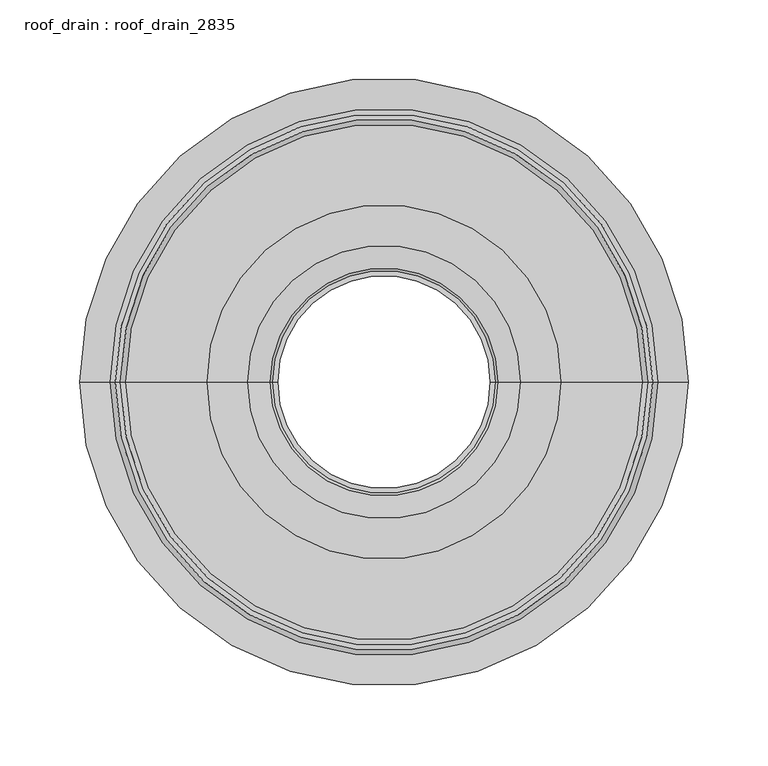
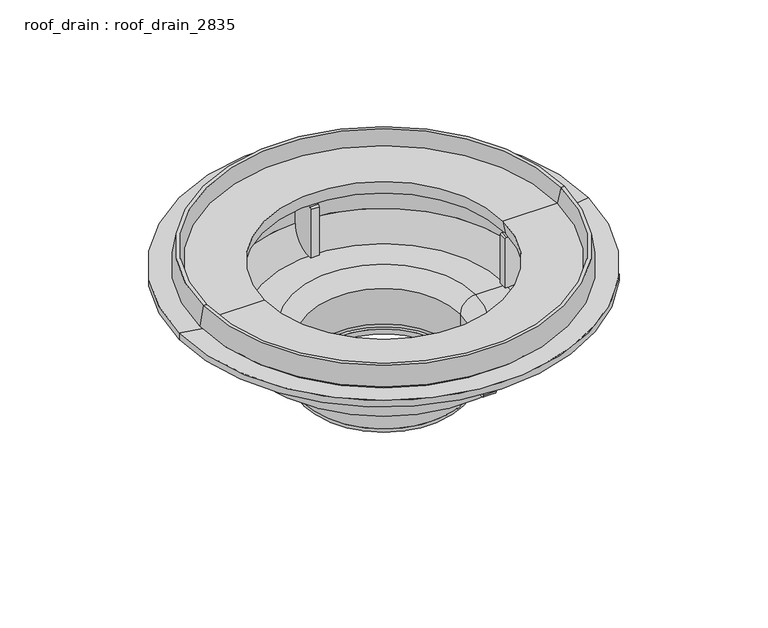
"""IFC4 building model written with IfcOpenShell, lengths in millimetres: proxy geometry, roof_drain : roof_drain_2835."""

from ifc_helpers import new_model, si_unit, point, frame, origin, place, context, project, spatial, polyline, circle_curve, ellipse_curve, trimmed, source, transform, mapped, element, save
from ifc_brep_helpers import plane_surface, cylinder_surface, revolved_surface, advanced_brep


def roof_drain_roof_drain_2835_14fadb20(model_context):
    return source(origin(), model_context, "Body", "AdvancedBrep", [
        advanced_brep(
        [(183.7835187, 171.3455573, 3714.6822843), (183.7835187, 171.3455573, 3728.1056941), (182.6754597, 139.6148985, 3724.2072843), (182.6754597, 139.6148985, 3711.5072843), (183.6727128, 168.1724914, 3711.5072843), (171.8164813, 171.3455573, 3714.6822843), (171.9272872, 168.1724914, 3711.5072843), (172.9245403, 139.6148985, 3711.5072843), (172.9245403, 139.6148985, 3724.2072843), (171.8164813, 171.3455573, 3728.1056941)],
        [
            (0, 1),
            (1, 2),
            (2, 3),
            (3, 4),
            (4, 0, circle_curve(frame((183.6727128, 168.1724914, 3714.6822843), z_axis=(0.9993908270190829, -0.034899496702871076, 0.0), x_axis=(0.034899496702871076, 0.9993908270190829, 0.0)), 3.175)),
            (5, 6, circle_curve(frame((171.9272872, 168.1724914, 3714.6822843), z_axis=(-0.9993908270191088, -0.0348994967021308, 0.0), x_axis=(-0.0348994967021308, 0.9993908270191088, 0.0)), 3.175)),
            (6, 7),
            (7, 8),
            (8, 9),
            (9, 5),
            (9, 1, circle_curve(frame((177.8, 0.0, 3728.1056941), z_axis=(0.0, 0.0, -1.0), x_axis=(0.034899496702871076, 0.9993908270190829, 0.0)), 171.45)),
            (0, 5, circle_curve(frame((177.8, 0.0, 3714.6822843), z_axis=(0.0, 0.0, 1.0), x_axis=(0.034899496702871076, 0.9993908270190829, 0.0)), 171.45)),
            (8, 2, circle_curve(frame((177.8, 0.0, 3724.2072843), z_axis=(0.0, 0.0, -1.0), x_axis=(0.034899496702871076, 0.9993908270190829, 0.0)), 139.7)),
            (7, 3, circle_curve(frame((177.8, 0.0, 3711.5072843), z_axis=(0.0, 0.0, -1.0), x_axis=(0.034899496702871076, 0.9993908270190829, 0.0)), 139.7)),
            (6, 4, circle_curve(frame((177.8, 0.0, 3711.5072843), z_axis=(0.0, 0.0, -1.0), x_axis=(0.034899496702871076, 0.9993908270190829, 0.0)), 168.275)),
        ],
        [
            plane_surface(frame((177.8, 0.0, 3905.1822843), z_axis=(0.9993908270190829, -0.034899496702871076, 0.0), x_axis=(0.034899496702871076, 0.9993908270190829, 0.0))),
            plane_surface(frame((177.8, 0.0, 3905.1822843), z_axis=(-0.9993908270191086, -0.03489949670213079, 0.0), x_axis=(-0.03489949670213079, 0.9993908270191086, 0.0))),
            cylinder_surface(frame((177.8, 0.0, 3905.1822843), z_axis=(0.0, 0.0, 1.0), x_axis=(0.034899496702871076, 0.9993908270190829, 0.0)), 171.45),
            revolved_surface(polyline([(183.7835187, 171.3455573, 3728.1056941), (182.6754597, 139.6148985, 3724.2072843)]), (177.8, 0.0, 3905.1822843), (0.0, 0.0, 1.0)),
            revolved_surface(polyline([(182.6754596893911, 139.61489853456587, 3724.2072843), (182.6754596893911, 139.61489853456587, 3711.5072843)]), (177.8, 0.0, 3905.1822843), (0.0, 0.0, 1.0)),
            plane_surface(frame((177.8, 0.0, 3711.5072843), z_axis=(0.0, 0.0, -1.0000000000000002), x_axis=(0.034899496702871076, 0.9993908270190829, 0.0))),
            revolved_surface(trimmed(ellipse_curve(frame((183.6727128, 168.1724914, 3714.6822843), z_axis=(0.9993908270190829, -0.034899496702871076, 0.0), x_axis=(0.034899496702871076, 0.9993908270190829, 0.0)), 3.175, 3.175), [point((183.6727128, 168.1724914, 3711.5072843))], [point((183.7835187, 171.3455573, 3714.6822843))], True, "CARTESIAN"), (177.8, 0.0, 3905.1822843), (0.0, 0.0, 1.0)),
        ],
        [
            (0, [[1, 2, 3, 4, 5]]),
            (1, [[6, 7, 8, 9, 10]]),
            (2, [[11, -1, 12, -10]]),
            (3, [[13, -2, -11, -9]]),
            (4, [[14, -3, -13, -8]]),
            (5, [[15, -4, -14, -7]]),
            (6, [[-12, -5, -15, -6]]),
        ],
    ),
        advanced_brep(
        [(181.6782066, 111.0573057, 3725.7947843), (181.6782066, 111.0573057, 3678.1697843), (181.7890125, 114.2303715, 3678.1697843), (182.5092508, 134.8552997, 3698.8072843), (182.5092508, 134.8552997, 3727.3822843), (181.7336095, 112.6438386, 3727.3822843), (173.9217934, 111.0573057, 3725.7947843), (173.8663905, 112.6438386, 3727.3822843), (173.0907492, 134.8552997, 3727.3822843), (173.0907492, 134.8552997, 3698.8072843), (173.8109875, 114.2303715, 3678.1697843), (173.9217934, 111.0573057, 3678.1697843)],
        [
            (0, 1),
            (1, 2),
            (2, 3, circle_curve(frame((181.7890125, 114.2303715, 3698.8072843), z_axis=(0.9993908270190829, -0.034899496702871076, 0.0), x_axis=(0.034899496702871076, 0.9993908270190829, 0.0)), 20.6375)),
            (3, 4),
            (4, 5),
            (5, 0, circle_curve(frame((181.7336095, 112.6438386, 3725.7947843), z_axis=(0.9993908270190829, -0.034899496702871076, 0.0), x_axis=(0.034899496702871076, 0.9993908270190829, 0.0)), 1.5875)),
            (6, 7, circle_curve(frame((173.8663905, 112.6438386, 3725.7947843), z_axis=(-0.9993908270191088, -0.0348994967021308, 0.0), x_axis=(-0.0348994967021308, 0.9993908270191088, 0.0)), 1.5875)),
            (7, 8),
            (8, 9),
            (9, 10, circle_curve(frame((173.8109875, 114.2303715, 3698.8072843), z_axis=(-0.9993908270191088, -0.0348994967021308, 0.0), x_axis=(-0.0348994967021308, 0.9993908270191088, 0.0)), 20.6375)),
            (10, 11),
            (11, 6),
            (11, 1, circle_curve(frame((177.8, 0.0, 3678.1697843), z_axis=(0.0, 0.0, -1.0), x_axis=(0.034899496702871076, 0.9993908270190829, 0.0)), 111.125)),
            (0, 6, circle_curve(frame((177.8, 0.0, 3725.7947843), z_axis=(0.0, 0.0, 1.0), x_axis=(0.034899496702871076, 0.9993908270190829, 0.0)), 111.125)),
            (10, 2, circle_curve(frame((177.8, 0.0, 3678.1697843), z_axis=(0.0, 0.0, -1.0), x_axis=(0.034899496702871076, 0.9993908270190829, 0.0)), 114.3)),
            (9, 3, circle_curve(frame((177.8, 0.0, 3698.8072843), z_axis=(0.0, 0.0, -1.0), x_axis=(0.034899496702871076, 0.9993908270190829, 0.0)), 134.9375)),
            (8, 4, circle_curve(frame((177.8, 0.0, 3727.3822843), z_axis=(0.0, 0.0, -1.0), x_axis=(0.034899496702871076, 0.9993908270190829, 0.0)), 134.9375)),
            (7, 5, circle_curve(frame((177.8, 0.0, 3727.3822843), z_axis=(0.0, 0.0, -1.0), x_axis=(0.034899496702871076, 0.9993908270190829, 0.0)), 112.7125)),
        ],
        [
            plane_surface(frame((177.8, 0.0, 3905.1822843), z_axis=(0.9993908270190829, -0.034899496702871076, 0.0), x_axis=(0.034899496702871076, 0.9993908270190829, 0.0))),
            plane_surface(frame((177.8, 0.0, 3905.1822843), z_axis=(-0.9993908270191086, -0.03489949670213079, 0.0), x_axis=(-0.03489949670213079, 0.9993908270191086, 0.0))),
            revolved_surface(polyline([(181.67820657110656, 111.05730565249559, 3725.7947843), (181.67820657110656, 111.05730565249559, 3678.1697843)]), (177.8, 0.0, 3905.1822843), (0.0, 0.0, 1.0)),
            plane_surface(frame((177.8, 0.0, 3678.1697843), z_axis=(0.0, 0.0, -1.0000000000000002), x_axis=(0.034899496702871076, 0.9993908270190829, 0.0))),
            revolved_surface(trimmed(ellipse_curve(frame((181.7890125, 114.2303715, 3698.8072843), z_axis=(0.9993908270190829, -0.034899496702871076, 0.0), x_axis=(0.034899496702871076, 0.9993908270190829, 0.0)), 20.6375, 20.6375), [point((181.7890125, 114.2303715, 3678.1697843))], [point((182.5092508, 134.8552997, 3698.8072843))], True, "CARTESIAN"), (177.8, 0.0, 3905.1822843), (0.0, 0.0, 1.0)),
            cylinder_surface(frame((177.8, 0.0, 3905.1822843), z_axis=(0.0, 0.0, 1.0), x_axis=(0.034899496702871076, 0.9993908270190829, 0.0)), 134.9375),
            plane_surface(frame((177.8, 0.0, 3727.3822843), z_axis=(0.0, 0.0, 1.0000000000000002), x_axis=(0.034899496702871076, 0.9993908270190829, 0.0))),
            revolved_surface(trimmed(ellipse_curve(frame((181.7336095, 112.6438386, 3725.7947843), z_axis=(0.9993908270190829, -0.034899496702871076, 0.0), x_axis=(0.034899496702871076, 0.9993908270190829, 0.0)), 1.5875, 1.5875), [point((181.7336095, 112.6438386, 3727.3822843))], [point((181.6782066, 111.0573057, 3725.7947843))], True, "CARTESIAN"), (177.8, 0.0, 3905.1822843), (0.0, 0.0, 1.0)),
        ],
        [
            (0, [[1, 2, 3, 4, 5, 6]]),
            (1, [[7, 8, 9, 10, 11, 12]]),
            (2, [[13, -1, 14, -12]]),
            (3, [[15, -2, -13, -11]]),
            (4, [[16, -3, -15, -10]]),
            (5, [[17, -4, -16, -9]]),
            (6, [[18, -5, -17, -8]]),
            (7, [[-14, -6, -18, -7]]),
        ],
    ),
        advanced_brep(
        [(171.8164813, -171.3455573, 3714.6822843), (171.8164813, -171.3455573, 3728.1056941), (172.9245403, -139.6148985, 3724.2072843), (172.9245403, -139.6148985, 3711.5072843), (171.9272872, -168.1724914, 3711.5072843), (183.7835187, -171.3455573, 3714.6822843), (183.6727128, -168.1724914, 3711.5072843), (182.6754597, -139.6148985, 3711.5072843), (182.6754597, -139.6148985, 3724.2072843), (183.7835187, -171.3455573, 3728.1056941)],
        [
            (0, 1),
            (1, 2),
            (2, 3),
            (3, 4),
            (4, 0, circle_curve(frame((171.9272872, -168.1724914, 3714.6822843), z_axis=(-0.9993908270190829, 0.034899496702871076, 0.0), x_axis=(-0.034899496702871076, -0.9993908270190829, 0.0)), 3.175)),
            (5, 6, circle_curve(frame((183.6727128, -168.1724914, 3714.6822843), z_axis=(0.9993908270191088, 0.0348994967021308, 0.0), x_axis=(0.0348994967021308, -0.9993908270191088, 0.0)), 3.175)),
            (6, 7),
            (7, 8),
            (8, 9),
            (9, 5),
            (9, 1, circle_curve(frame((177.8, 0.0, 3728.1056941), z_axis=(0.0, 0.0, -1.0), x_axis=(-0.034899496702871076, -0.9993908270190829, 0.0)), 171.45)),
            (0, 5, circle_curve(frame((177.8, 0.0, 3714.6822843), z_axis=(0.0, 0.0, 1.0), x_axis=(-0.034899496702871076, -0.9993908270190829, 0.0)), 171.45)),
            (8, 2, circle_curve(frame((177.8, 0.0, 3724.2072843), z_axis=(0.0, 0.0, -1.0), x_axis=(-0.034899496702871076, -0.9993908270190829, 0.0)), 139.7)),
            (7, 3, circle_curve(frame((177.8, 0.0, 3711.5072843), z_axis=(0.0, 0.0, -1.0), x_axis=(-0.034899496702871076, -0.9993908270190829, 0.0)), 139.7)),
            (6, 4, circle_curve(frame((177.8, 0.0, 3711.5072843), z_axis=(0.0, 0.0, -1.0), x_axis=(-0.034899496702871076, -0.9993908270190829, 0.0)), 168.275)),
        ],
        [
            plane_surface(frame((177.8, 0.0, 3905.1822843), z_axis=(-0.9993908270190829, 0.034899496702871076, 0.0), x_axis=(-0.034899496702871076, -0.9993908270190829, 0.0))),
            plane_surface(frame((177.8, 0.0, 3905.1822843), z_axis=(0.9993908270191086, 0.03489949670213079, 0.0), x_axis=(0.03489949670213079, -0.9993908270191086, 0.0))),
            cylinder_surface(frame((177.8, 0.0, 3905.1822843), z_axis=(0.0, 0.0, 1.0), x_axis=(-0.034899496702871076, -0.9993908270190829, 0.0)), 171.45),
            revolved_surface(polyline([(171.8164813, -171.3455573, 3728.1056941), (172.9245403, -139.6148985, 3724.2072843)]), (177.8, 0.0, 3905.1822843), (0.0, 0.0, 1.0)),
            revolved_surface(polyline([(172.92454031060893, -139.61489853456587, 3724.2072843), (172.92454031060893, -139.61489853456587, 3711.5072843)]), (177.8, 0.0, 3905.1822843), (0.0, 0.0, 1.0)),
            plane_surface(frame((177.8, 0.0, 3711.5072843), z_axis=(0.0, 0.0, -1.0000000000000002), x_axis=(-0.034899496702871076, -0.9993908270190829, 0.0))),
            revolved_surface(trimmed(ellipse_curve(frame((171.9272872, -168.1724914, 3714.6822843), z_axis=(-0.9993908270190829, 0.034899496702871076, 0.0), x_axis=(-0.034899496702871076, -0.9993908270190829, 0.0)), 3.175, 3.175), [point((171.9272872, -168.1724914, 3711.5072843))], [point((171.8164813, -171.3455573, 3714.6822843))], True, "CARTESIAN"), (177.8, 0.0, 3905.1822843), (0.0, 0.0, 1.0)),
        ],
        [
            (0, [[1, 2, 3, 4, 5]]),
            (1, [[6, 7, 8, 9, 10]]),
            (2, [[11, -1, 12, -10]]),
            (3, [[13, -2, -11, -9]]),
            (4, [[14, -3, -13, -8]]),
            (5, [[15, -4, -14, -7]]),
            (6, [[-12, -5, -15, -6]]),
        ],
    ),
        advanced_brep(
        [(173.9217934, -111.0573057, 3725.7947843), (173.9217934, -111.0573057, 3678.1697843), (173.8109875, -114.2303715, 3678.1697843), (173.0907492, -134.8552997, 3698.8072843), (173.0907492, -134.8552997, 3727.3822843), (173.8663905, -112.6438386, 3727.3822843), (181.6782066, -111.0573057, 3725.7947843), (181.7336095, -112.6438386, 3727.3822843), (182.5092508, -134.8552997, 3727.3822843), (182.5092508, -134.8552997, 3698.8072843), (181.7890125, -114.2303715, 3678.1697843), (181.6782066, -111.0573057, 3678.1697843)],
        [
            (0, 1),
            (1, 2),
            (2, 3, circle_curve(frame((173.8109875, -114.2303715, 3698.8072843), z_axis=(-0.9993908270190829, 0.034899496702871076, 0.0), x_axis=(-0.034899496702871076, -0.9993908270190829, 0.0)), 20.6375)),
            (3, 4),
            (4, 5),
            (5, 0, circle_curve(frame((173.8663905, -112.6438386, 3725.7947843), z_axis=(-0.9993908270190829, 0.034899496702871076, 0.0), x_axis=(-0.034899496702871076, -0.9993908270190829, 0.0)), 1.5875)),
            (6, 7, circle_curve(frame((181.7336095, -112.6438386, 3725.7947843), z_axis=(0.9993908270191088, 0.0348994967021308, 0.0), x_axis=(0.0348994967021308, -0.9993908270191088, 0.0)), 1.5875)),
            (7, 8),
            (8, 9),
            (9, 10, circle_curve(frame((181.7890125, -114.2303715, 3698.8072843), z_axis=(0.9993908270191088, 0.0348994967021308, 0.0), x_axis=(0.0348994967021308, -0.9993908270191088, 0.0)), 20.6375)),
            (10, 11),
            (11, 6),
            (11, 1, circle_curve(frame((177.8, 0.0, 3678.1697843), z_axis=(0.0, 0.0, -1.0), x_axis=(-0.034899496702871076, -0.9993908270190829, 0.0)), 111.125)),
            (0, 6, circle_curve(frame((177.8, 0.0, 3725.7947843), z_axis=(0.0, 0.0, 1.0), x_axis=(-0.034899496702871076, -0.9993908270190829, 0.0)), 111.125)),
            (10, 2, circle_curve(frame((177.8, 0.0, 3678.1697843), z_axis=(0.0, 0.0, -1.0), x_axis=(-0.034899496702871076, -0.9993908270190829, 0.0)), 114.3)),
            (9, 3, circle_curve(frame((177.8, 0.0, 3698.8072843), z_axis=(0.0, 0.0, -1.0), x_axis=(-0.034899496702871076, -0.9993908270190829, 0.0)), 134.9375)),
            (8, 4, circle_curve(frame((177.8, 0.0, 3727.3822843), z_axis=(0.0, 0.0, -1.0), x_axis=(-0.034899496702871076, -0.9993908270190829, 0.0)), 134.9375)),
            (7, 5, circle_curve(frame((177.8, 0.0, 3727.3822843), z_axis=(0.0, 0.0, -1.0), x_axis=(-0.034899496702871076, -0.9993908270190829, 0.0)), 112.7125)),
        ],
        [
            plane_surface(frame((177.8, 0.0, 3905.1822843), z_axis=(-0.9993908270190829, 0.034899496702871076, 0.0), x_axis=(-0.034899496702871076, -0.9993908270190829, 0.0))),
            plane_surface(frame((177.8, 0.0, 3905.1822843), z_axis=(0.9993908270191086, 0.03489949670213079, 0.0), x_axis=(0.03489949670213079, -0.9993908270191086, 0.0))),
            revolved_surface(polyline([(173.92179342889347, -111.05730565249559, 3725.7947843), (173.92179342889347, -111.05730565249559, 3678.1697843)]), (177.8, 0.0, 3905.1822843), (0.0, 0.0, 1.0)),
            plane_surface(frame((177.8, 0.0, 3678.1697843), z_axis=(0.0, 0.0, -1.0000000000000002), x_axis=(-0.034899496702871076, -0.9993908270190829, 0.0))),
            revolved_surface(trimmed(ellipse_curve(frame((173.8109875, -114.2303715, 3698.8072843), z_axis=(-0.9993908270190829, 0.034899496702871076, 0.0), x_axis=(-0.034899496702871076, -0.9993908270190829, 0.0)), 20.6375, 20.6375), [point((173.8109875, -114.2303715, 3678.1697843))], [point((173.0907492, -134.8552997, 3698.8072843))], True, "CARTESIAN"), (177.8, 0.0, 3905.1822843), (0.0, 0.0, 1.0)),
            cylinder_surface(frame((177.8, 0.0, 3905.1822843), z_axis=(0.0, 0.0, 1.0), x_axis=(-0.034899496702871076, -0.9993908270190829, 0.0)), 134.9375),
            plane_surface(frame((177.8, 0.0, 3727.3822843), z_axis=(0.0, 0.0, 1.0000000000000002), x_axis=(-0.034899496702871076, -0.9993908270190829, 0.0))),
            revolved_surface(trimmed(ellipse_curve(frame((173.8663905, -112.6438386, 3725.7947843), z_axis=(-0.9993908270190829, 0.034899496702871076, 0.0), x_axis=(-0.034899496702871076, -0.9993908270190829, 0.0)), 1.5875, 1.5875), [point((173.8663905, -112.6438386, 3727.3822843))], [point((173.9217934, -111.0573057, 3725.7947843))], True, "CARTESIAN"), (177.8, 0.0, 3905.1822843), (0.0, 0.0, 1.0)),
        ],
        [
            (0, [[1, 2, 3, 4, 5, 6]]),
            (1, [[7, 8, 9, 10, 11, 12]]),
            (2, [[13, -1, 14, -12]]),
            (3, [[15, -2, -13, -11]]),
            (4, [[16, -3, -15, -10]]),
            (5, [[17, -4, -16, -9]]),
            (6, [[18, -5, -17, -8]]),
            (7, [[-14, -6, -18, -7]]),
        ],
    ),
        advanced_brep(
        [(6.4544427, 5.9835187, 3714.6822843), (6.4544427, 5.9835187, 3728.1056941), (38.1851015, 4.8754597, 3724.2072843), (38.1851015, 4.8754597, 3711.5072843), (9.6275086, 5.8727128, 3711.5072843), (6.4544427, -5.9835187, 3714.6822843), (9.6275086, -5.8727128, 3711.5072843), (38.1851015, -4.8754597, 3711.5072843), (38.1851015, -4.8754597, 3724.2072843), (6.4544427, -5.9835187, 3728.1056941)],
        [
            (0, 1),
            (1, 2),
            (2, 3),
            (3, 4),
            (4, 0, circle_curve(frame((9.6275086, 5.8727128, 3714.6822843), z_axis=(0.034899496702500934, 0.9993908270190958, 0.0), x_axis=(-0.9993908270190958, 0.034899496702500934, 0.0)), 3.175)),
            (5, 6, circle_curve(frame((9.6275086, -5.8727128, 3714.6822843), z_axis=(0.03489949670250094, -0.9993908270190957, 0.0), x_axis=(-0.9993908270190957, -0.03489949670250094, 0.0)), 3.175)),
            (6, 7),
            (7, 8),
            (8, 9),
            (9, 5),
            (9, 1, circle_curve(frame((177.8, 0.0, 3728.1056941), z_axis=(0.0, 0.0, -1.0), x_axis=(-0.9993908270190958, 0.034899496702500934, 0.0)), 171.45)),
            (0, 5, circle_curve(frame((177.8, 0.0, 3714.6822843), z_axis=(0.0, 0.0, 1.0), x_axis=(-0.9993908270190958, 0.034899496702500934, 0.0)), 171.45)),
            (8, 2, circle_curve(frame((177.8, 0.0, 3724.2072843), z_axis=(0.0, 0.0, -1.0), x_axis=(-0.9993908270190958, 0.034899496702500934, 0.0)), 139.7)),
            (7, 3, circle_curve(frame((177.8, 0.0, 3711.5072843), z_axis=(0.0, 0.0, -1.0), x_axis=(-0.9993908270190958, 0.034899496702500934, 0.0)), 139.7)),
            (6, 4, circle_curve(frame((177.8, 0.0, 3711.5072843), z_axis=(0.0, 0.0, -1.0), x_axis=(-0.9993908270190958, 0.034899496702500934, 0.0)), 168.275)),
        ],
        [
            plane_surface(frame((177.8, 0.0, 3905.1822843), z_axis=(0.034899496702500934, 0.9993908270190958, 0.0), x_axis=(-0.9993908270190958, 0.034899496702500934, 0.0))),
            plane_surface(frame((177.8, 0.0, 3905.1822843), z_axis=(0.03489949670250094, -0.9993908270190958, 0.0), x_axis=(-0.9993908270190958, -0.03489949670250094, 0.0))),
            cylinder_surface(frame((177.8, 0.0, 3905.1822843), z_axis=(0.0, 0.0, 1.0), x_axis=(-0.9993908270190958, 0.034899496702500934, 0.0)), 171.45),
            revolved_surface(polyline([(6.4544427, 5.9835187, 3728.1056941), (38.1851015, 4.8754597, 3724.2072843)]), (177.8, 0.0, 3905.1822843), (0.0, 0.0, 1.0)),
            revolved_surface(polyline([(38.18510146543235, 4.8754596893393805, 3724.2072843), (38.18510146543235, 4.8754596893393805, 3711.5072843)]), (177.8, 0.0, 3905.1822843), (0.0, 0.0, 1.0)),
            plane_surface(frame((177.8, 0.0, 3711.5072843), z_axis=(0.0, 0.0, -1.0), x_axis=(-0.9993908270190958, 0.034899496702500934, 0.0))),
            revolved_surface(trimmed(ellipse_curve(frame((9.6275086, 5.8727128, 3714.6822843), z_axis=(0.034899496702500934, 0.9993908270190958, 0.0), x_axis=(-0.9993908270190958, 0.034899496702500934, 0.0)), 3.175, 3.175), [point((9.6275086, 5.8727128, 3711.5072843))], [point((6.4544427, 5.9835187, 3714.6822843))], True, "CARTESIAN"), (177.8, 0.0, 3905.1822843), (0.0, 0.0, 1.0)),
        ],
        [
            (0, [[1, 2, 3, 4, 5]]),
            (1, [[6, 7, 8, 9, 10]]),
            (2, [[11, -1, 12, -10]]),
            (3, [[13, -2, -11, -9]]),
            (4, [[14, -3, -13, -8]]),
            (5, [[15, -4, -14, -7]]),
            (6, [[-12, -5, -15, -6]]),
        ],
    ),
        advanced_brep(
        [(66.7426943, 3.8782066, 3725.7947843), (66.7426943, 3.8782066, 3678.1697843), (63.5696285, 3.9890125, 3678.1697843), (42.9447003, 4.7092508, 3698.8072843), (42.9447003, 4.7092508, 3727.3822843), (65.1561614, 3.9336095, 3727.3822843), (66.7426943, -3.8782066, 3725.7947843), (65.1561614, -3.9336095, 3727.3822843), (42.9447003, -4.7092508, 3727.3822843), (42.9447003, -4.7092508, 3698.8072843), (63.5696285, -3.9890125, 3678.1697843), (66.7426943, -3.8782066, 3678.1697843)],
        [
            (0, 1),
            (1, 2),
            (2, 3, circle_curve(frame((63.5696285, 3.9890125, 3698.8072843), z_axis=(0.034899496702500934, 0.9993908270190958, 0.0), x_axis=(-0.9993908270190958, 0.034899496702500934, 0.0)), 20.6375)),
            (3, 4),
            (4, 5),
            (5, 0, circle_curve(frame((65.1561614, 3.9336095, 3725.7947843), z_axis=(0.034899496702500934, 0.9993908270190958, 0.0), x_axis=(-0.9993908270190958, 0.034899496702500934, 0.0)), 1.5875)),
            (6, 7, circle_curve(frame((65.1561614, -3.9336095, 3725.7947843), z_axis=(0.03489949670250094, -0.9993908270190957, 0.0), x_axis=(-0.9993908270190957, -0.03489949670250094, 0.0)), 1.5875)),
            (7, 8),
            (8, 9),
            (9, 10, circle_curve(frame((63.5696285, -3.9890125, 3698.8072843), z_axis=(0.03489949670250094, -0.9993908270190957, 0.0), x_axis=(-0.9993908270190957, -0.03489949670250094, 0.0)), 20.6375)),
            (10, 11),
            (11, 6),
            (11, 1, circle_curve(frame((177.8, 0.0, 3678.1697843), z_axis=(0.0, 0.0, -1.0), x_axis=(-0.9993908270190958, 0.034899496702500934, 0.0)), 111.125)),
            (0, 6, circle_curve(frame((177.8, 0.0, 3725.7947843), z_axis=(0.0, 0.0, 1.0), x_axis=(-0.9993908270190958, 0.034899496702500934, 0.0)), 111.125)),
            (10, 2, circle_curve(frame((177.8, 0.0, 3678.1697843), z_axis=(0.0, 0.0, -1.0), x_axis=(-0.9993908270190958, 0.034899496702500934, 0.0)), 114.3)),
            (9, 3, circle_curve(frame((177.8, 0.0, 3698.8072843), z_axis=(0.0, 0.0, -1.0), x_axis=(-0.9993908270190958, 0.034899496702500934, 0.0)), 134.9375)),
            (8, 4, circle_curve(frame((177.8, 0.0, 3727.3822843), z_axis=(0.0, 0.0, -1.0), x_axis=(-0.9993908270190958, 0.034899496702500934, 0.0)), 134.9375)),
            (7, 5, circle_curve(frame((177.8, 0.0, 3727.3822843), z_axis=(0.0, 0.0, -1.0), x_axis=(-0.9993908270190958, 0.034899496702500934, 0.0)), 112.7125)),
        ],
        [
            plane_surface(frame((177.8, 0.0, 3905.1822843), z_axis=(0.034899496702500934, 0.9993908270190958, 0.0), x_axis=(-0.9993908270190958, 0.034899496702500934, 0.0))),
            plane_surface(frame((177.8, 0.0, 3905.1822843), z_axis=(0.03489949670250094, -0.9993908270190958, 0.0), x_axis=(-0.9993908270190958, -0.03489949670250094, 0.0))),
            revolved_surface(polyline([(66.74269434750299, 3.8782065710654163, 3725.7947843), (66.74269434750299, 3.8782065710654163, 3678.1697843)]), (177.8, 0.0, 3905.1822843), (0.0, 0.0, 1.0)),
            plane_surface(frame((177.8, 0.0, 3678.1697843), z_axis=(0.0, 0.0, -1.0), x_axis=(-0.9993908270190958, 0.034899496702500934, 0.0))),
            revolved_surface(trimmed(ellipse_curve(frame((63.5696285, 3.9890125, 3698.8072843), z_axis=(0.034899496702500934, 0.9993908270190958, 0.0), x_axis=(-0.9993908270190958, 0.034899496702500934, 0.0)), 20.6375, 20.6375), [point((63.5696285, 3.9890125, 3678.1697843))], [point((42.9447003, 4.7092508, 3698.8072843))], True, "CARTESIAN"), (177.8, 0.0, 3905.1822843), (0.0, 0.0, 1.0)),
            cylinder_surface(frame((177.8, 0.0, 3905.1822843), z_axis=(0.0, 0.0, 1.0), x_axis=(-0.9993908270190958, 0.034899496702500934, 0.0)), 134.9375),
            plane_surface(frame((177.8, 0.0, 3727.3822843), z_axis=(0.0, 0.0, 1.0), x_axis=(-0.9993908270190958, 0.034899496702500934, 0.0))),
            revolved_surface(trimmed(ellipse_curve(frame((65.1561614, 3.9336095, 3725.7947843), z_axis=(0.034899496702500934, 0.9993908270190958, 0.0), x_axis=(-0.9993908270190958, 0.034899496702500934, 0.0)), 1.5875, 1.5875), [point((65.1561614, 3.9336095, 3727.3822843))], [point((66.7426943, 3.8782066, 3725.7947843))], True, "CARTESIAN"), (177.8, 0.0, 3905.1822843), (0.0, 0.0, 1.0)),
        ],
        [
            (0, [[1, 2, 3, 4, 5, 6]]),
            (1, [[7, 8, 9, 10, 11, 12]]),
            (2, [[13, -1, 14, -12]]),
            (3, [[15, -2, -13, -11]]),
            (4, [[16, -3, -15, -10]]),
            (5, [[17, -4, -16, -9]]),
            (6, [[18, -5, -17, -8]]),
            (7, [[-14, -6, -18, -7]]),
        ],
    ),
        advanced_brep(
        [(349.1455573, -5.9835187, 3714.6822843), (349.1455573, -5.9835187, 3728.1056941), (317.4148985, -4.8754597, 3724.2072843), (317.4148985, -4.8754597, 3711.5072843), (345.9724914, -5.8727128, 3711.5072843), (349.1455573, 5.9835187, 3714.6822843), (345.9724914, 5.8727128, 3711.5072843), (317.4148985, 4.8754597, 3711.5072843), (317.4148985, 4.8754597, 3724.2072843), (349.1455573, 5.9835187, 3728.1056941)],
        [
            (0, 1),
            (1, 2),
            (2, 3),
            (3, 4),
            (4, 0, circle_curve(frame((345.9724914, -5.8727128, 3714.6822843), z_axis=(-0.034899496702500934, -0.9993908270190958, 0.0), x_axis=(0.9993908270190958, -0.034899496702500934, 0.0)), 3.175)),
            (5, 6, circle_curve(frame((345.9724914, 5.8727128, 3714.6822843), z_axis=(-0.03489949670250094, 0.9993908270190957, 0.0), x_axis=(0.9993908270190957, 0.03489949670250094, 0.0)), 3.175)),
            (6, 7),
            (7, 8),
            (8, 9),
            (9, 5),
            (9, 1, circle_curve(frame((177.8, 0.0, 3728.1056941), z_axis=(0.0, 0.0, -1.0), x_axis=(0.9993908270190958, -0.034899496702500934, 0.0)), 171.45)),
            (0, 5, circle_curve(frame((177.8, 0.0, 3714.6822843), z_axis=(0.0, 0.0, 1.0), x_axis=(0.9993908270190958, -0.034899496702500934, 0.0)), 171.45)),
            (8, 2, circle_curve(frame((177.8, 0.0, 3724.2072843), z_axis=(0.0, 0.0, -1.0), x_axis=(0.9993908270190958, -0.034899496702500934, 0.0)), 139.7)),
            (7, 3, circle_curve(frame((177.8, 0.0, 3711.5072843), z_axis=(0.0, 0.0, -1.0), x_axis=(0.9993908270190958, -0.034899496702500934, 0.0)), 139.7)),
            (6, 4, circle_curve(frame((177.8, 0.0, 3711.5072843), z_axis=(0.0, 0.0, -1.0), x_axis=(0.9993908270190958, -0.034899496702500934, 0.0)), 168.275)),
        ],
        [
            plane_surface(frame((177.8, 0.0, 3905.1822843), z_axis=(-0.034899496702500934, -0.9993908270190958, 0.0), x_axis=(0.9993908270190958, -0.034899496702500934, 0.0))),
            plane_surface(frame((177.8, 0.0, 3905.1822843), z_axis=(-0.03489949670250094, 0.9993908270190958, 0.0), x_axis=(0.9993908270190958, 0.03489949670250094, 0.0))),
            cylinder_surface(frame((177.8, 0.0, 3905.1822843), z_axis=(0.0, 0.0, 1.0), x_axis=(0.9993908270190958, -0.034899496702500934, 0.0)), 171.45),
            revolved_surface(polyline([(349.1455573, -5.9835187, 3728.1056941), (317.4148985, -4.8754597, 3724.2072843)]), (177.8, 0.0, 3905.1822843), (0.0, 0.0, 1.0)),
            revolved_surface(polyline([(317.41489853456767, -4.8754596893393805, 3724.2072843), (317.41489853456767, -4.8754596893393805, 3711.5072843)]), (177.8, 0.0, 3905.1822843), (0.0, 0.0, 1.0)),
            plane_surface(frame((177.8, 0.0, 3711.5072843), z_axis=(0.0, 0.0, -1.0), x_axis=(0.9993908270190958, -0.034899496702500934, 0.0))),
            revolved_surface(trimmed(ellipse_curve(frame((345.9724914, -5.8727128, 3714.6822843), z_axis=(-0.034899496702500934, -0.9993908270190958, 0.0), x_axis=(0.9993908270190958, -0.034899496702500934, 0.0)), 3.175, 3.175), [point((345.9724914, -5.8727128, 3711.5072843))], [point((349.1455573, -5.9835187, 3714.6822843))], True, "CARTESIAN"), (177.8, 0.0, 3905.1822843), (0.0, 0.0, 1.0)),
        ],
        [
            (0, [[1, 2, 3, 4, 5]]),
            (1, [[6, 7, 8, 9, 10]]),
            (2, [[11, -1, 12, -10]]),
            (3, [[13, -2, -11, -9]]),
            (4, [[14, -3, -13, -8]]),
            (5, [[15, -4, -14, -7]]),
            (6, [[-12, -5, -15, -6]]),
        ],
    ),
        advanced_brep(
        [(288.8573057, -3.8782066, 3725.7947843), (288.8573057, -3.8782066, 3678.1697843), (292.0303715, -3.9890125, 3678.1697843), (312.6552997, -4.7092508, 3698.8072843), (312.6552997, -4.7092508, 3727.3822843), (290.4438386, -3.9336095, 3727.3822843), (288.8573057, 3.8782066, 3725.7947843), (290.4438386, 3.9336095, 3727.3822843), (312.6552997, 4.7092508, 3727.3822843), (312.6552997, 4.7092508, 3698.8072843), (292.0303715, 3.9890125, 3678.1697843), (288.8573057, 3.8782066, 3678.1697843)],
        [
            (0, 1),
            (1, 2),
            (2, 3, circle_curve(frame((292.0303715, -3.9890125, 3698.8072843), z_axis=(-0.034899496702500934, -0.9993908270190958, 0.0), x_axis=(0.9993908270190958, -0.034899496702500934, 0.0)), 20.6375)),
            (3, 4),
            (4, 5),
            (5, 0, circle_curve(frame((290.4438386, -3.9336095, 3725.7947843), z_axis=(-0.034899496702500934, -0.9993908270190958, 0.0), x_axis=(0.9993908270190958, -0.034899496702500934, 0.0)), 1.5875)),
            (6, 7, circle_curve(frame((290.4438386, 3.9336095, 3725.7947843), z_axis=(-0.03489949670250094, 0.9993908270190957, 0.0), x_axis=(0.9993908270190957, 0.03489949670250094, 0.0)), 1.5875)),
            (7, 8),
            (8, 9),
            (9, 10, circle_curve(frame((292.0303715, 3.9890125, 3698.8072843), z_axis=(-0.03489949670250094, 0.9993908270190957, 0.0), x_axis=(0.9993908270190957, 0.03489949670250094, 0.0)), 20.6375)),
            (10, 11),
            (11, 6),
            (11, 1, circle_curve(frame((177.8, 0.0, 3678.1697843), z_axis=(0.0, 0.0, -1.0), x_axis=(0.9993908270190958, -0.034899496702500934, 0.0)), 111.125)),
            (0, 6, circle_curve(frame((177.8, 0.0, 3725.7947843), z_axis=(0.0, 0.0, 1.0), x_axis=(0.9993908270190958, -0.034899496702500934, 0.0)), 111.125)),
            (10, 2, circle_curve(frame((177.8, 0.0, 3678.1697843), z_axis=(0.0, 0.0, -1.0), x_axis=(0.9993908270190958, -0.034899496702500934, 0.0)), 114.3)),
            (9, 3, circle_curve(frame((177.8, 0.0, 3698.8072843), z_axis=(0.0, 0.0, -1.0), x_axis=(0.9993908270190958, -0.034899496702500934, 0.0)), 134.9375)),
            (8, 4, circle_curve(frame((177.8, 0.0, 3727.3822843), z_axis=(0.0, 0.0, -1.0), x_axis=(0.9993908270190958, -0.034899496702500934, 0.0)), 134.9375)),
            (7, 5, circle_curve(frame((177.8, 0.0, 3727.3822843), z_axis=(0.0, 0.0, -1.0), x_axis=(0.9993908270190958, -0.034899496702500934, 0.0)), 112.7125)),
        ],
        [
            plane_surface(frame((177.8, 0.0, 3905.1822843), z_axis=(-0.034899496702500934, -0.9993908270190958, 0.0), x_axis=(0.9993908270190958, -0.034899496702500934, 0.0))),
            plane_surface(frame((177.8, 0.0, 3905.1822843), z_axis=(-0.03489949670250094, 0.9993908270190958, 0.0), x_axis=(0.9993908270190958, 0.03489949670250094, 0.0))),
            revolved_surface(polyline([(288.857305652497, -3.8782065710654163, 3725.7947843), (288.857305652497, -3.8782065710654163, 3678.1697843)]), (177.8, 0.0, 3905.1822843), (0.0, 0.0, 1.0)),
            plane_surface(frame((177.8, 0.0, 3678.1697843), z_axis=(0.0, 0.0, -1.0), x_axis=(0.9993908270190958, -0.034899496702500934, 0.0))),
            revolved_surface(trimmed(ellipse_curve(frame((292.0303715, -3.9890125, 3698.8072843), z_axis=(-0.034899496702500934, -0.9993908270190958, 0.0), x_axis=(0.9993908270190958, -0.034899496702500934, 0.0)), 20.6375, 20.6375), [point((292.0303715, -3.9890125, 3678.1697843))], [point((312.6552997, -4.7092508, 3698.8072843))], True, "CARTESIAN"), (177.8, 0.0, 3905.1822843), (0.0, 0.0, 1.0)),
            cylinder_surface(frame((177.8, 0.0, 3905.1822843), z_axis=(0.0, 0.0, 1.0), x_axis=(0.9993908270190958, -0.034899496702500934, 0.0)), 134.9375),
            plane_surface(frame((177.8, 0.0, 3727.3822843), z_axis=(0.0, 0.0, 1.0), x_axis=(0.9993908270190958, -0.034899496702500934, 0.0))),
            revolved_surface(trimmed(ellipse_curve(frame((290.4438386, -3.9336095, 3725.7947843), z_axis=(-0.034899496702500934, -0.9993908270190958, 0.0), x_axis=(0.9993908270190958, -0.034899496702500934, 0.0)), 1.5875, 1.5875), [point((290.4438386, -3.9336095, 3727.3822843))], [point((288.8573057, -3.8782066, 3725.7947843))], True, "CARTESIAN"), (177.8, 0.0, 3905.1822843), (0.0, 0.0, 1.0)),
        ],
        [
            (0, [[1, 2, 3, 4, 5, 6]]),
            (1, [[7, 8, 9, 10, 11, 12]]),
            (2, [[13, -1, 14, -12]]),
            (3, [[15, -2, -13, -11]]),
            (4, [[16, -3, -15, -10]]),
            (5, [[17, -4, -16, -9]]),
            (6, [[18, -5, -17, -8]]),
            (7, [[-14, -6, -18, -7]]),
        ],
    ),
        advanced_brep(
        [(19.05, 0.0, 3732.1447843), (336.55, 0.0, 3732.1447843), (368.3, 0.0, 3736.9072843), (-12.7, 0.0, 3736.9072843), (42.8625, 0.0, 3732.1447843), (312.7375, 0.0, 3732.1447843), (42.8625, 0.0, 3698.8072843), (312.7375, 0.0, 3698.8072843), (63.5, 0.0, 3678.1697843), (292.1, 0.0, 3678.1697843), (92.075, 0.0, 3678.1697843), (263.525, 0.0, 3678.1697843), (106.3625, 0.0, 3663.8822843), (249.2375, 0.0, 3663.8822843), (106.3625, 0.0, 3628.9572843), (249.2375, 0.0, 3628.9572843), (107.95, 0.0, 3627.3697843), (247.65, 0.0, 3627.3697843), (111.125, 0.0, 3627.3697843), (244.475, 0.0, 3627.3697843), (111.125, 0.0, 3622.6072843), (244.475, 0.0, 3622.6072843), (107.95, 0.0, 3622.6072843), (247.65, 0.0, 3622.6072843), (101.6, 0.0, 3628.9572843), (254.0, 0.0, 3628.9572843), (101.6, 0.0, 3663.8822843), (254.0, 0.0, 3663.8822843), (92.075, 0.0, 3673.4072843), (263.525, 0.0, 3673.4072843), (63.5, 0.0, 3673.4072843), (292.1, 0.0, 3673.4072843), (38.1, 0.0, 3698.8072843), (317.5, 0.0, 3698.8072843), (38.1, 0.0, 3724.2072843), (317.5, 0.0, 3724.2072843), (-12.7, 0.0, 3730.5572843), (368.3, 0.0, 3730.5572843)],
        [
            (0, 1, circle_curve(frame((177.8, 0.0, 3732.1447843), z_axis=(0.0, 0.0, -1.0), x_axis=(1.0, 0.0, 0.0)), 158.75)),
            (1, 2),
            (2, 3, circle_curve(frame((177.8, 0.0, 3736.9072843), z_axis=(0.0, 0.0, 1.0), x_axis=(1.0, 0.0, 0.0)), 190.5)),
            (3, 0),
            (1, 0, circle_curve(frame((177.8, 0.0, 3732.1447843), z_axis=(0.0, 0.0, -1.0), x_axis=(1.0, 0.0, 0.0)), 158.75)),
            (3, 2, circle_curve(frame((177.8, 0.0, 3736.9072843), z_axis=(0.0, 0.0, 1.0), x_axis=(1.0, 0.0, 0.0)), 190.5)),
            (4, 5, circle_curve(frame((177.8, 0.0, 3732.1447843), z_axis=(0.0, 0.0, -1.0), x_axis=(1.0, 0.0, 0.0)), 134.9375)),
            (5, 1),
            (0, 4),
            (5, 4, circle_curve(frame((177.8, 0.0, 3732.1447843), z_axis=(0.0, 0.0, -1.0), x_axis=(1.0, 0.0, 0.0)), 134.9375)),
            (6, 7, circle_curve(frame((177.8, 0.0, 3698.8072843), z_axis=(0.0, 0.0, -1.0), x_axis=(1.0, 0.0, 0.0)), 134.9375)),
            (7, 5),
            (4, 6),
            (7, 6, circle_curve(frame((177.8, 0.0, 3698.8072843), z_axis=(0.0, 0.0, -1.0), x_axis=(1.0, 0.0, 0.0)), 134.9375)),
            (8, 9, circle_curve(frame((177.8, 0.0, 3678.1697843), z_axis=(0.0, 0.0, -1.0), x_axis=(1.0, 0.0, 0.0)), 114.3)),
            (9, 7, circle_curve(frame((292.1, 0.0, 3698.8072843), z_axis=(0.0, -1.0, 0.0), x_axis=(1.0, 0.0, 0.0)), 20.6375)),
            (6, 8, circle_curve(frame((63.5, 0.0, 3698.8072843), z_axis=(0.0, -1.0, 0.0), x_axis=(-1.0, 0.0, 0.0)), 20.6375)),
            (9, 8, circle_curve(frame((177.8, 0.0, 3678.1697843), z_axis=(0.0, 0.0, -1.0), x_axis=(1.0, 0.0, 0.0)), 114.3)),
            (10, 11, circle_curve(frame((177.8, 0.0, 3678.1697843), z_axis=(0.0, 0.0, -1.0), x_axis=(1.0, 0.0, 0.0)), 85.725)),
            (11, 9),
            (8, 10),
            (11, 10, circle_curve(frame((177.8, 0.0, 3678.1697843), z_axis=(0.0, 0.0, -1.0), x_axis=(1.0, 0.0, 0.0)), 85.725)),
            (12, 13, circle_curve(frame((177.8, 0.0, 3663.8822843), z_axis=(0.0, 0.0, -1.0), x_axis=(1.0, 0.0, 0.0)), 71.4375)),
            (13, 11, circle_curve(frame((263.525, 0.0, 3663.8822843), z_axis=(0.0, 1.0, 0.0), x_axis=(1.0, 0.0, 0.0)), 14.2875)),
            (10, 12, circle_curve(frame((92.075, 0.0, 3663.8822843), z_axis=(0.0, 1.0, 0.0), x_axis=(-1.0, 0.0, 0.0)), 14.2875)),
            (13, 12, circle_curve(frame((177.8, 0.0, 3663.8822843), z_axis=(0.0, 0.0, -1.0), x_axis=(1.0, 0.0, 0.0)), 71.4375)),
            (14, 15, circle_curve(frame((177.8, 0.0, 3628.9572843), z_axis=(0.0, 0.0, -1.0), x_axis=(1.0, 0.0, 0.0)), 71.4375)),
            (15, 13),
            (12, 14),
            (15, 14, circle_curve(frame((177.8, 0.0, 3628.9572843), z_axis=(0.0, 0.0, -1.0), x_axis=(1.0, 0.0, 0.0)), 71.4375)),
            (16, 17, circle_curve(frame((177.8, 0.0, 3627.3697843), z_axis=(0.0, 0.0, -1.0), x_axis=(1.0, 0.0, 0.0)), 69.85)),
            (17, 15, circle_curve(frame((247.65, 0.0, 3628.9572843), z_axis=(0.0, -1.0, 0.0), x_axis=(1.0, 0.0, 0.0)), 1.5875)),
            (14, 16, circle_curve(frame((107.95, 0.0, 3628.9572843), z_axis=(0.0, -1.0, 0.0), x_axis=(-1.0, 0.0, 0.0)), 1.5875)),
            (17, 16, circle_curve(frame((177.8, 0.0, 3627.3697843), z_axis=(0.0, 0.0, -1.0), x_axis=(1.0, 0.0, 0.0)), 69.85)),
            (18, 19, circle_curve(frame((177.8, 0.0, 3627.3697843), z_axis=(0.0, 0.0, -1.0), x_axis=(1.0, 0.0, 0.0)), 66.675)),
            (19, 17),
            (16, 18),
            (19, 18, circle_curve(frame((177.8, 0.0, 3627.3697843), z_axis=(0.0, 0.0, -1.0), x_axis=(1.0, 0.0, 0.0)), 66.675)),
            (20, 21, circle_curve(frame((177.8, 0.0, 3622.6072843), z_axis=(0.0, 0.0, -1.0), x_axis=(1.0, 0.0, 0.0)), 66.675)),
            (21, 19),
            (18, 20),
            (21, 20, circle_curve(frame((177.8, 0.0, 3622.6072843), z_axis=(0.0, 0.0, -1.0), x_axis=(1.0, 0.0, 0.0)), 66.675)),
            (22, 23, circle_curve(frame((177.8, 0.0, 3622.6072843), z_axis=(0.0, 0.0, -1.0), x_axis=(1.0, 0.0, 0.0)), 69.85)),
            (23, 21),
            (20, 22),
            (23, 22, circle_curve(frame((177.8, 0.0, 3622.6072843), z_axis=(0.0, 0.0, -1.0), x_axis=(1.0, 0.0, 0.0)), 69.85)),
            (24, 25, circle_curve(frame((177.8, 0.0, 3628.9572843), z_axis=(0.0, 0.0, -1.0), x_axis=(1.0, 0.0, 0.0)), 76.2)),
            (25, 23, circle_curve(frame((247.65, 0.0, 3628.9572843), z_axis=(0.0, 1.0, 0.0), x_axis=(1.0, 0.0, 0.0)), 6.35)),
            (22, 24, circle_curve(frame((107.95, 0.0, 3628.9572843), z_axis=(0.0, 1.0, 0.0), x_axis=(-1.0, 0.0, 0.0)), 6.35)),
            (25, 24, circle_curve(frame((177.8, 0.0, 3628.9572843), z_axis=(0.0, 0.0, -1.0), x_axis=(1.0, 0.0, 0.0)), 76.2)),
            (26, 27, circle_curve(frame((177.8, 0.0, 3663.8822843), z_axis=(0.0, 0.0, -1.0), x_axis=(1.0, 0.0, 0.0)), 76.2)),
            (27, 25),
            (24, 26),
            (27, 26, circle_curve(frame((177.8, 0.0, 3663.8822843), z_axis=(0.0, 0.0, -1.0), x_axis=(1.0, 0.0, 0.0)), 76.2)),
            (28, 29, circle_curve(frame((177.8, 0.0, 3673.4072843), z_axis=(0.0, 0.0, -1.0), x_axis=(1.0, 0.0, 0.0)), 85.725)),
            (29, 27, circle_curve(frame((263.525, 0.0, 3663.8822843), z_axis=(0.0, -1.0, 0.0), x_axis=(1.0, 0.0, 0.0)), 9.525)),
            (26, 28, circle_curve(frame((92.075, 0.0, 3663.8822843), z_axis=(0.0, -1.0, 0.0), x_axis=(-1.0, 0.0, 0.0)), 9.525)),
            (29, 28, circle_curve(frame((177.8, 0.0, 3673.4072843), z_axis=(0.0, 0.0, -1.0), x_axis=(1.0, 0.0, 0.0)), 85.725)),
            (30, 31, circle_curve(frame((177.8, 0.0, 3673.4072843), z_axis=(0.0, 0.0, -1.0), x_axis=(1.0, 0.0, 0.0)), 114.3)),
            (31, 29),
            (28, 30),
            (31, 30, circle_curve(frame((177.8, 0.0, 3673.4072843), z_axis=(0.0, 0.0, -1.0), x_axis=(1.0, 0.0, 0.0)), 114.3)),
            (32, 33, circle_curve(frame((177.8, 0.0, 3698.8072843), z_axis=(0.0, 0.0, -1.0), x_axis=(1.0, 0.0, 0.0)), 139.7)),
            (33, 31, circle_curve(frame((292.1, 0.0, 3698.8072843), z_axis=(0.0, 1.0, 0.0), x_axis=(1.0, 0.0, 0.0)), 25.4)),
            (30, 32, circle_curve(frame((63.5, 0.0, 3698.8072843), z_axis=(0.0, 1.0, 0.0), x_axis=(-1.0, 0.0, 0.0)), 25.4)),
            (33, 32, circle_curve(frame((177.8, 0.0, 3698.8072843), z_axis=(0.0, 0.0, -1.0), x_axis=(1.0, 0.0, 0.0)), 139.7)),
            (34, 35, circle_curve(frame((177.8, 0.0, 3724.2072843), z_axis=(0.0, 0.0, -1.0), x_axis=(1.0, 0.0, 0.0)), 139.7)),
            (35, 33),
            (32, 34),
            (35, 34, circle_curve(frame((177.8, 0.0, 3724.2072843), z_axis=(0.0, 0.0, -1.0), x_axis=(1.0, 0.0, 0.0)), 139.7)),
            (36, 37, circle_curve(frame((177.8, 0.0, 3730.5572843), z_axis=(0.0, 0.0, -1.0), x_axis=(1.0, 0.0, 0.0)), 190.5)),
            (37, 35),
            (34, 36),
            (37, 36, circle_curve(frame((177.8, 0.0, 3730.5572843), z_axis=(0.0, 0.0, -1.0), x_axis=(1.0, 0.0, 0.0)), 190.5)),
            (2, 37),
            (36, 3),
        ],
        [
            revolved_surface(polyline([(368.3, 0.0, 3736.9072843), (336.55, 0.0, 3732.1447843)]), (177.8, 0.0, 3578.1572843), (0.0, 0.0, 1.0)),
            plane_surface(frame((177.8, 0.0, 3732.1447843), z_axis=(0.0, 0.0, 1.0), x_axis=(1.0, 0.0, 0.0))),
            revolved_surface(polyline([(312.7375, 0.0, 3732.1447843), (312.7375, 0.0, 3698.8072843)]), (177.8, 0.0, 3578.1572843), (0.0, 0.0, 1.0)),
            revolved_surface(trimmed(ellipse_curve(frame((292.1, 0.0, 3698.8072843), z_axis=(0.0, 1.0, 0.0), x_axis=(1.0, 0.0, 0.0)), 20.6375, 20.6375), [point((312.7375, 0.0, 3698.8072843))], [point((292.1, 0.0, 3678.1697843))], True, "CARTESIAN"), (177.8, 0.0, 3578.1572843), (0.0, 0.0, 1.0)),
            plane_surface(frame((177.8, 0.0, 3678.1697843), z_axis=(0.0, 0.0, 1.0), x_axis=(1.0, 0.0, 0.0))),
            revolved_surface(trimmed(ellipse_curve(frame((263.525, 0.0, 3663.8822843), z_axis=(0.0, -1.0, 0.0), x_axis=(1.0, 0.0, 0.0)), 14.2875, 14.2875), [point((263.525, 0.0, 3678.1697843))], [point((249.2375, 0.0, 3663.8822843))], True, "CARTESIAN"), (177.8, 0.0, 3578.1572843), (0.0, 0.0, 1.0)),
            revolved_surface(polyline([(249.2375, 0.0, 3663.8822843), (249.2375, 0.0, 3628.9572843)]), (177.8, 0.0, 3578.1572843), (0.0, 0.0, 1.0)),
            revolved_surface(trimmed(ellipse_curve(frame((247.65, 0.0, 3628.9572843), z_axis=(0.0, 1.0, 0.0), x_axis=(1.0, 0.0, 0.0)), 1.5875, 1.5875), [point((249.2375, 0.0, 3628.9572843))], [point((247.65, 0.0, 3627.3697843))], True, "CARTESIAN"), (177.8, 0.0, 3578.1572843), (0.0, 0.0, 1.0)),
            plane_surface(frame((177.8, 0.0, 3627.3697843), z_axis=(0.0, 0.0, 1.0), x_axis=(1.0, 0.0, 0.0))),
            revolved_surface(polyline([(244.47500000000002, 0.0, 3627.3697843), (244.47500000000002, 0.0, 3622.6072843)]), (177.8, 0.0, 3578.1572843), (0.0, 0.0, 1.0)),
            plane_surface(frame((177.8, 0.0, 3622.6072843), z_axis=(0.0, 0.0, -1.0), x_axis=(1.0, 0.0, 0.0))),
            revolved_surface(trimmed(ellipse_curve(frame((247.65, 0.0, 3628.9572843), z_axis=(0.0, -1.0, 0.0), x_axis=(1.0, 0.0, 0.0)), 6.35, 6.35), [point((247.65, 0.0, 3622.6072843))], [point((254.0, 0.0, 3628.9572843))], True, "CARTESIAN"), (177.8, 0.0, 3578.1572843), (0.0, 0.0, 1.0)),
            cylinder_surface(frame((177.8, 0.0, 3578.1572843), z_axis=(0.0, 0.0, 1.0), x_axis=(1.0, 0.0, 0.0)), 76.2),
            revolved_surface(trimmed(ellipse_curve(frame((263.525, 0.0, 3663.8822843), z_axis=(0.0, 1.0, 0.0), x_axis=(1.0, 0.0, 0.0)), 9.525, 9.525), [point((254.0, 0.0, 3663.8822843))], [point((263.525, 0.0, 3673.4072843))], True, "CARTESIAN"), (177.8, 0.0, 3578.1572843), (0.0, 0.0, 1.0)),
            plane_surface(frame((177.8, 0.0, 3673.4072843), z_axis=(0.0, 0.0, -1.0), x_axis=(1.0, 0.0, 0.0))),
            revolved_surface(trimmed(ellipse_curve(frame((292.1, 0.0, 3698.8072843), z_axis=(0.0, -1.0, 0.0), x_axis=(1.0, 0.0, 0.0)), 25.4, 25.4), [point((292.1, 0.0, 3673.4072843))], [point((317.5, 0.0, 3698.8072843))], True, "CARTESIAN"), (177.8, 0.0, 3578.1572843), (0.0, 0.0, 1.0)),
            cylinder_surface(frame((177.8, 0.0, 3578.1572843), z_axis=(0.0, 0.0, 1.0), x_axis=(1.0, 0.0, 0.0)), 139.7),
            revolved_surface(polyline([(317.5, 0.0, 3724.2072843), (368.3, 0.0, 3730.5572843)]), (177.8, 0.0, 3578.1572843), (0.0, 0.0, 1.0)),
            cylinder_surface(frame((177.8, 0.0, 3578.1572843), z_axis=(0.0, 0.0, 1.0), x_axis=(1.0, 0.0, 0.0)), 190.5),
        ],
        [
            (0, [[1, 2, 3, 4]]),
            (0, [[5, -4, 6, -2]]),
            (1, [[7, 8, -1, 9]]),
            (1, [[10, -9, -5, -8]]),
            (2, [[11, 12, -7, 13]]),
            (2, [[14, -13, -10, -12]]),
            (3, [[15, 16, -11, 17]]),
            (3, [[18, -17, -14, -16]]),
            (4, [[19, 20, -15, 21]]),
            (4, [[22, -21, -18, -20]]),
            (5, [[23, 24, -19, 25]]),
            (5, [[26, -25, -22, -24]]),
            (6, [[27, 28, -23, 29]]),
            (6, [[30, -29, -26, -28]]),
            (7, [[31, 32, -27, 33]]),
            (7, [[34, -33, -30, -32]]),
            (8, [[35, 36, -31, 37]]),
            (8, [[38, -37, -34, -36]]),
            (9, [[39, 40, -35, 41]]),
            (9, [[42, -41, -38, -40]]),
            (10, [[43, 44, -39, 45]]),
            (10, [[46, -45, -42, -44]]),
            (11, [[47, 48, -43, 49]]),
            (11, [[50, -49, -46, -48]]),
            (12, [[51, 52, -47, 53]]),
            (12, [[54, -53, -50, -52]]),
            (13, [[55, 56, -51, 57]]),
            (13, [[58, -57, -54, -56]]),
            (14, [[59, 60, -55, 61]]),
            (14, [[62, -61, -58, -60]]),
            (15, [[63, 64, -59, 65]]),
            (15, [[66, -65, -62, -64]]),
            (16, [[67, 68, -63, 69]]),
            (16, [[70, -69, -66, -68]]),
            (17, [[71, 72, -67, 73]]),
            (17, [[74, -73, -70, -72]]),
            (18, [[-3, 75, -71, 76]]),
            (18, [[-6, -76, -74, -75]]),
        ],
    ),
        advanced_brep(
        [(15.875, 0.0, 3741.6697843), (339.725, 0.0, 3741.6697843), (342.9, 0.0, 3755.9572843), (12.7, 0.0, 3755.9572843), (66.675, 0.0, 3741.6697843), (288.925, 0.0, 3741.6697843), (64.5583333, 0.0, 3728.9697843), (291.0416667, 0.0, 3728.9697843), (55.0333333, 0.0, 3728.9697843), (300.5666667, 0.0, 3728.9697843), (54.5041667, 0.0, 3732.1447843), (301.0958333, 0.0, 3732.1447843), (19.05, 0.0, 3732.1447843), (336.55, 0.0, 3732.1447843), (9.525, 0.0, 3733.7322843), (346.075, 0.0, 3733.7322843), (6.35, 0.0, 3736.9072843), (349.25, 0.0, 3736.9072843), (9.525, 0.0, 3755.9572843), (346.075, 0.0, 3755.9572843)],
        [
            (0, 1, circle_curve(frame((177.8, 0.0, 3741.6697843), z_axis=(0.0, 0.0, -1.0), x_axis=(1.0, 0.0, 0.0)), 161.925)),
            (1, 2),
            (2, 3, circle_curve(frame((177.8, 0.0, 3755.9572843), z_axis=(0.0, 0.0, 1.0), x_axis=(1.0, 0.0, 0.0)), 165.1)),
            (3, 0),
            (1, 0, circle_curve(frame((177.8, 0.0, 3741.6697843), z_axis=(0.0, 0.0, -1.0), x_axis=(1.0, 0.0, 0.0)), 161.925)),
            (3, 2, circle_curve(frame((177.8, 0.0, 3755.9572843), z_axis=(0.0, 0.0, 1.0), x_axis=(1.0, 0.0, 0.0)), 165.1)),
            (4, 5, circle_curve(frame((177.8, 0.0, 3741.6697843), z_axis=(0.0, 0.0, -1.0), x_axis=(1.0, 0.0, 0.0)), 111.125)),
            (5, 1),
            (0, 4),
            (5, 4, circle_curve(frame((177.8, 0.0, 3741.6697843), z_axis=(0.0, 0.0, -1.0), x_axis=(1.0, 0.0, 0.0)), 111.125)),
            (6, 7, circle_curve(frame((177.8, 0.0, 3728.9697843), z_axis=(0.0, 0.0, -1.0), x_axis=(1.0, 0.0, 0.0)), 113.2416667)),
            (7, 5),
            (4, 6),
            (7, 6, circle_curve(frame((177.8, 0.0, 3728.9697843), z_axis=(0.0, 0.0, -1.0), x_axis=(1.0, 0.0, 0.0)), 113.2416667)),
            (8, 9, circle_curve(frame((177.8, 0.0, 3728.9697843), z_axis=(0.0, 0.0, -1.0), x_axis=(1.0, 0.0, 0.0)), 122.7666667)),
            (9, 7),
            (6, 8),
            (9, 8, circle_curve(frame((177.8, 0.0, 3728.9697843), z_axis=(0.0, 0.0, -1.0), x_axis=(1.0, 0.0, 0.0)), 122.7666667)),
            (10, 11, circle_curve(frame((177.8, 0.0, 3732.1447843), z_axis=(0.0, 0.0, -1.0), x_axis=(1.0, 0.0, 0.0)), 123.2958333)),
            (11, 9),
            (8, 10),
            (11, 10, circle_curve(frame((177.8, 0.0, 3732.1447843), z_axis=(0.0, 0.0, -1.0), x_axis=(1.0, 0.0, 0.0)), 123.2958333)),
            (12, 13, circle_curve(frame((177.8, 0.0, 3732.1447843), z_axis=(0.0, 0.0, -1.0), x_axis=(1.0, 0.0, 0.0)), 158.75)),
            (13, 11),
            (10, 12),
            (13, 12, circle_curve(frame((177.8, 0.0, 3732.1447843), z_axis=(0.0, 0.0, -1.0), x_axis=(1.0, 0.0, 0.0)), 158.75)),
            (14, 15, circle_curve(frame((177.8, 0.0, 3733.7322843), z_axis=(0.0, 0.0, -1.0), x_axis=(1.0, 0.0, 0.0)), 168.275)),
            (15, 13),
            (12, 14),
            (15, 14, circle_curve(frame((177.8, 0.0, 3733.7322843), z_axis=(0.0, 0.0, -1.0), x_axis=(1.0, 0.0, 0.0)), 168.275)),
            (16, 17, circle_curve(frame((177.8, 0.0, 3736.9072843), z_axis=(0.0, 0.0, -1.0), x_axis=(1.0, 0.0, 0.0)), 171.45)),
            (17, 15),
            (14, 16),
            (17, 16, circle_curve(frame((177.8, 0.0, 3736.9072843), z_axis=(0.0, 0.0, -1.0), x_axis=(1.0, 0.0, 0.0)), 171.45)),
            (18, 19, circle_curve(frame((177.8, 0.0, 3755.9572843), z_axis=(0.0, 0.0, -1.0), x_axis=(1.0, 0.0, 0.0)), 168.275)),
            (19, 17),
            (16, 18),
            (19, 18, circle_curve(frame((177.8, 0.0, 3755.9572843), z_axis=(0.0, 0.0, -1.0), x_axis=(1.0, 0.0, 0.0)), 168.275)),
            (2, 19),
            (18, 3),
        ],
        [
            revolved_surface(polyline([(342.9, 0.0, 3755.9572843), (339.725, 0.0, 3741.6697843)]), (177.8, 0.0, 3621.0197843), (0.0, 0.0, 1.0)),
            plane_surface(frame((177.8, 0.0, 3741.6697843), z_axis=(0.0, 0.0, 1.0), x_axis=(1.0, 0.0, 0.0))),
            revolved_surface(polyline([(288.925, 0.0, 3741.6697843), (291.0416667, 0.0, 3728.9697843)]), (177.8, 0.0, 3621.0197843), (0.0, 0.0, 1.0)),
            plane_surface(frame((177.8, 0.0, 3728.9697843), z_axis=(0.0, 0.0, -1.0), x_axis=(1.0, 0.0, 0.0))),
            revolved_surface(polyline([(300.5666667, 0.0, 3728.9697843), (301.0958333, 0.0, 3732.1447843)]), (177.8, 0.0, 3621.0197843), (0.0, 0.0, 1.0)),
            plane_surface(frame((177.8, 0.0, 3732.1447843), z_axis=(0.0, 0.0, -1.0), x_axis=(1.0, 0.0, 0.0))),
            revolved_surface(polyline([(336.55, 0.0, 3732.1447843), (346.075, 0.0, 3733.7322843)]), (177.8, 0.0, 3621.0197843), (0.0, 0.0, 1.0)),
            revolved_surface(polyline([(346.075, 0.0, 3733.7322843), (349.25, 0.0, 3736.9072843)]), (177.8, 0.0, 3621.0197843), (0.0, 0.0, 1.0)),
            revolved_surface(polyline([(349.25, 0.0, 3736.9072843), (346.075, 0.0, 3755.9572843)]), (177.8, 0.0, 3621.0197843), (0.0, 0.0, 1.0)),
            plane_surface(frame((177.8, 0.0, 3755.9572843), z_axis=(0.0, 0.0, 1.0), x_axis=(1.0, 0.0, 0.0))),
        ],
        [
            (0, [[1, 2, 3, 4]]),
            (0, [[5, -4, 6, -2]]),
            (1, [[7, 8, -1, 9]]),
            (1, [[10, -9, -5, -8]]),
            (2, [[11, 12, -7, 13]]),
            (2, [[14, -13, -10, -12]]),
            (3, [[15, 16, -11, 17]]),
            (3, [[18, -17, -14, -16]]),
            (4, [[19, 20, -15, 21]]),
            (4, [[22, -21, -18, -20]]),
            (5, [[23, 24, -19, 25]]),
            (5, [[26, -25, -22, -24]]),
            (6, [[27, 28, -23, 29]]),
            (6, [[30, -29, -26, -28]]),
            (7, [[31, 32, -27, 33]]),
            (7, [[34, -33, -30, -32]]),
            (8, [[35, 36, -31, 37]]),
            (8, [[38, -37, -34, -36]]),
            (9, [[-3, 39, -35, 40]]),
            (9, [[-6, -40, -38, -39]]),
        ],
    ),
    ])


if __name__ == "__main__":
    model = new_model("IFC4")
    model_context = context("Model", 3, world=origin())
    ifc_project = project(units=[si_unit("LENGTHUNIT", "METRE", prefix="MILLI")], contexts=[model_context])
    site = spatial("IfcSite", under=ifc_project)
    building = spatial("IfcBuilding", under=site)
    placement = place(None, origin())
    roof_drain_roof_drain_2835_shape = roof_drain_roof_drain_2835_14fadb20(model_context)
    element("IfcBuildingElementProxy", 1, Name="roof_drain : roof_drain_2835", ObjectType="roof_drain : roof_drain_2835", at=placement, inside=building, context=model_context, shape_type="MappedRepresentation", body=[
        mapped(roof_drain_roof_drain_2835_shape, transform((0.0, 0.0, 0.0), x_axis=(1.0, 0.0, 0.0), y_axis=(0.0, 1.0, 0.0), z_axis=(0.0, 0.0, 1.0))),
    ])
    save(model, "model.ifc")
